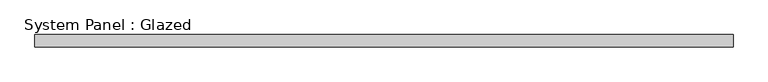
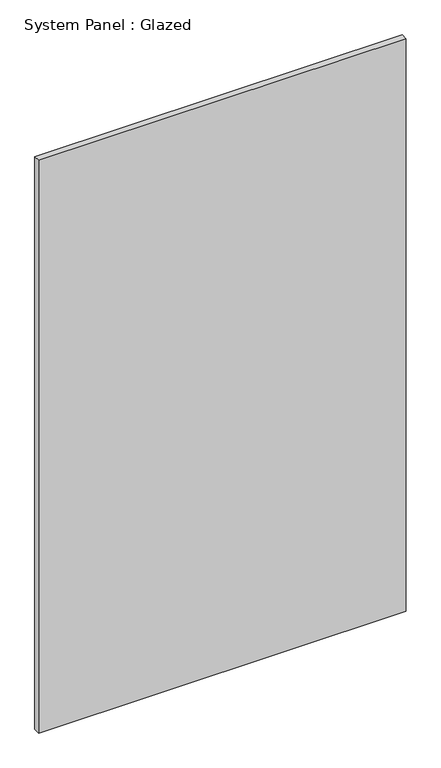
"""IFC4 building model written with IfcOpenShell, lengths in millimetres: plate geometry, System Panel : Glazed."""

from ifc_helpers import new_model, si_unit, origin, origin_with_axes, place, context, project, spatial, polyline, outline, extrude, source, transform, mapped, element, save


def system_panel_glazed_7c493aba(model_context):
    return source(origin(), model_context, "Body", "SweptSolid", [
        extrude(outline(polyline([(705.8333333, -49.5), (-705.8333333, -49.5), (-705.8333333, -24.5), (705.8333333, -24.5), (705.8333333, -49.5)])), origin_with_axes(), (0.0, 0.0, 1.0), 2325.0),
    ])


if __name__ == "__main__":
    model = new_model("IFC4")
    model_context = context("Model", 3, world=origin())
    ifc_project = project(units=[si_unit("LENGTHUNIT", "METRE", prefix="MILLI")], contexts=[model_context])
    site = spatial("IfcSite", under=ifc_project)
    building = spatial("IfcBuilding", under=site)
    placement = place(None, origin())
    system_panel_glazed_shape = system_panel_glazed_7c493aba(model_context)
    element("IfcPlate", 1, ObjectType="System Panel : Glazed", at=placement, inside=building, context=model_context, shape_type="MappedRepresentation", body=[
        mapped(system_panel_glazed_shape, transform((0.0, 0.0, 0.0), x_axis=(1.0, 0.0, 0.0), y_axis=(0.0, 1.0, 0.0), z_axis=(0.0, 0.0, 1.0))),
    ])
    save(model, "model.ifc")
